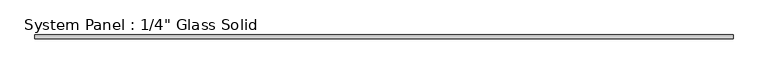
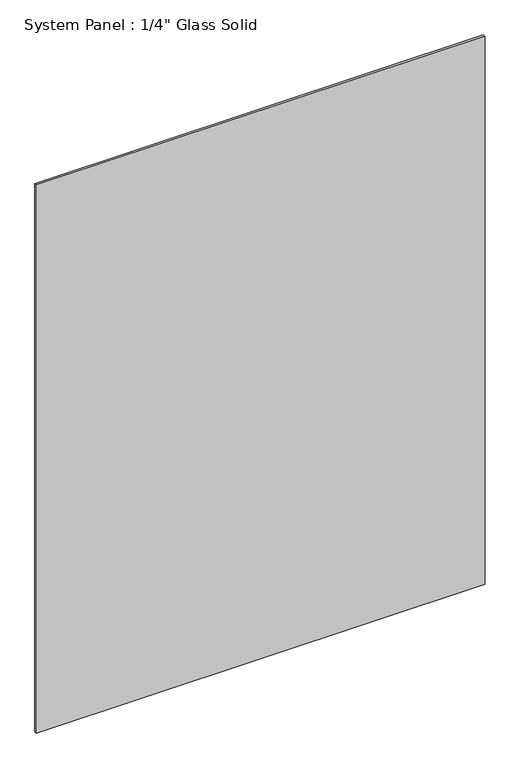
"""IFC4 building model written with IfcOpenShell, lengths in millimetres: plate geometry."""

import ifcopenshell
import ifcopenshell.guid

model = None  # the IFC model being written
_history = None  # IfcOwnerHistory: only IFC2X3 demands one
_inside = {}  # id of a spatial element -> (the spatial element, [elements in it])
_under = {}  # id of a project, library or spatial element -> (it, [spatial elements below it])
_declared = {}  # id of a project -> (the project, [libraries it declares])
_typed = {}  # id of a type object -> (the type object, [elements of that type])
_made_of = {}  # id of a material, layer set ... -> (it, [elements and type objects made of it])


def new_model(schema):
    """Start an empty IFC model of exactly this schema.

    Asked for "IFC4X3", IfcOpenShell would pick the latest addendum, in which some entities
    have other attributes; the version numbers below select the first issue.
    IFC2X3 requires an IfcOwnerHistory on every rooted entity: one is made here for all.
    """
    global model, _history
    if schema == "IFC4X3":
        model = ifcopenshell.file(schema_version=(4, 3, 0, 0))
    else:
        model = ifcopenshell.file(schema=schema)
    _inside.clear()
    _under.clear()
    _declared.clear()
    _typed.clear()
    _made_of.clear()
    _history = None
    if model.schema == "IFC2X3":
        org = make("IfcOrganization", Name="unknown")
        user = make(
            "IfcPersonAndOrganization",
            ThePerson=make("IfcPerson", FamilyName="unknown"),
            TheOrganization=org,
        )
        app = make(
            "IfcApplication",
            ApplicationDeveloper=org,
            Version="unknown",
            ApplicationFullName="unknown",
            ApplicationIdentifier="unknown",
        )
        _history = make(
            "IfcOwnerHistory",
            OwningUser=user,
            OwningApplication=app,
            ChangeAction="ADDED",
            CreationDate=0,
        )
    return model


def make(cls, **values):
    """One entity of the class cls with the attributes given. An attribute that is None is left unset."""
    return model.create_entity(
        cls, **{name: value for name, value in values.items() if value is not None}
    )


def rooted(cls, **values):
    """An entity with a GlobalId (a new one), such as an element, a storey or a relation."""
    return make(cls, GlobalId=ifcopenshell.guid.new(), OwnerHistory=_history, **values)


def si_unit(unit_type, name, prefix=None):
    """IfcSIUnit, for example si_unit("LENGTHUNIT", "METRE", prefix="MILLI")."""
    return make("IfcSIUnit", UnitType=unit_type, Prefix=prefix, Name=name)


def assignment(units):
    """IfcUnitAssignment: the units of a project."""
    return None if units is None else make("IfcUnitAssignment", Units=units)


def point(xyz):
    """IfcCartesianPoint."""
    return None if xyz is None else make("IfcCartesianPoint", Coordinates=xyz)


def direction(xyz):
    """IfcDirection."""
    return None if xyz is None else make("IfcDirection", DirectionRatios=xyz)


def frame(location, z_axis=None, x_axis=None):
    """IfcAxis2Placement3D, a coordinate frame: its origin and axes. An axis left out is left unset."""
    return make(
        "IfcAxis2Placement3D",
        Location=point(location),
        Axis=direction(z_axis),
        RefDirection=direction(x_axis),
    )


def origin():
    """The frame at (0, 0, 0) with its axes left unset."""
    return frame((0.0, 0.0, 0.0))


def origin_with_axes():
    """The frame at (0, 0, 0) with the z axis (0, 0, 1) and the x axis (1, 0, 0) written out."""
    return frame((0.0, 0.0, 0.0), z_axis=(0.0, 0.0, 1.0), x_axis=(1.0, 0.0, 0.0))


def place(relative_to, where):
    """IfcLocalPlacement: puts the frame where relative to a parent placement (None: the world)."""
    return make(
        "IfcLocalPlacement", PlacementRelTo=relative_to, RelativePlacement=where
    )


def context(
    kind, dimensions, precision=None, world=None, true_north=None, identifier=None
):
    """IfcGeometricRepresentationContext, for example the 3D "Model" context."""
    return make(
        "IfcGeometricRepresentationContext",
        ContextIdentifier=identifier,
        ContextType=kind,
        CoordinateSpaceDimension=dimensions,
        Precision=precision,
        WorldCoordinateSystem=world,
        TrueNorth=true_north,
    )


def project(units=None, contexts=None):
    """IfcProject with its units and contexts."""
    return rooted(
        "IfcProject",
        Name="project",
        RepresentationContexts=contexts,
        UnitsInContext=assignment(units),
    )


def spatial(cls, under=None, at=None, **own):
    """A site, building, storey or space (cls), placed at a placement, below another one or the project."""
    s = rooted(cls, ObjectPlacement=at, **own)
    if under is not None:
        _under.setdefault(under.id(), (under, []))[1].append(s)
    return s


def polyline(points):
    """IfcPolyline through the points."""
    return make("IfcPolyline", Points=[point(p) for p in points])


def outline(outer, holes=None, kind="AREA"):
    """IfcArbitraryClosedProfileDef: a profile drawn as a closed curve; with holes, ...WithVoids."""
    if holes is None:
        return make("IfcArbitraryClosedProfileDef", ProfileType=kind, OuterCurve=outer)
    return make(
        "IfcArbitraryProfileDefWithVoids",
        ProfileType=kind,
        OuterCurve=outer,
        InnerCurves=holes,
    )


def extrude(swept, where, along, depth):
    """IfcExtrudedAreaSolid: the profile swept, set in the frame where, extruded along a direction by depth."""
    return make(
        "IfcExtrudedAreaSolid",
        SweptArea=swept,
        Position=where,
        ExtrudedDirection=direction(along),
        Depth=depth,
    )


def shape(context_of_items, identifier, shape_type, items):
    """IfcShapeRepresentation: the items that make up one representation, for example the "Body"."""
    return make(
        "IfcShapeRepresentation",
        ContextOfItems=context_of_items,
        RepresentationIdentifier=identifier,
        RepresentationType=shape_type,
        Items=items,
    )


def source(mapping_origin, context_of_items, identifier, shape_type, items):
    """IfcRepresentationMap: a shape defined once, which mapped items show again and again."""
    return make(
        "IfcRepresentationMap",
        MappingOrigin=mapping_origin,
        MappedRepresentation=shape(context_of_items, identifier, shape_type, items),
    )


def transform(
    local_origin,
    x_axis=None,
    y_axis=None,
    z_axis=None,
    scale=None,
    scale2=None,
    scale3=None,
    uniform=True,
):
    """IfcCartesianTransformationOperator3D, or its non-uniform kind. x_axis, y_axis, z_axis: its Axis1, 2, 3."""
    if uniform:
        return make(
            "IfcCartesianTransformationOperator3D",
            Axis1=direction(x_axis),
            Axis2=direction(y_axis),
            LocalOrigin=point(local_origin),
            Scale=scale,
            Axis3=direction(z_axis),
        )
    return make(
        "IfcCartesianTransformationOperator3DnonUniform",
        Axis1=direction(x_axis),
        Axis2=direction(y_axis),
        LocalOrigin=point(local_origin),
        Scale=scale,
        Axis3=direction(z_axis),
        Scale2=scale2,
        Scale3=scale3,
    )


def mapped(mapping_source, mapping_target):
    """IfcMappedItem: shows the shape of a source again, moved by a transform."""
    return make(
        "IfcMappedItem", MappingSource=mapping_source, MappingTarget=mapping_target
    )


def made_of(thing, what):
    """Note that an element or type object is made of a material, layer set ...; save() writes the relation."""
    if what is not None:
        _made_of.setdefault(what.id(), (what, []))[1].append(thing)
    return thing


def element(
    cls,
    number,
    at=None,
    inside=None,
    cuts=None,
    type_object=None,
    material=None,
    context=None,
    identifier="Body",
    shape_type=None,
    held_by="IfcProductDefinitionShape",
    body=None,
    shapes=None,
    **own,
):
    """One element of the class cls, such as IfcWall. Its Tag is "e" and its number.

    at: its placement. inside: the storey or other place that contains it. cuts: it is an
    opening in that element (IfcRelVoidsElement). A single representation is given by context,
    identifier, shape_type and body (its items); several are given by shapes. held_by: the class
    of the entity that holds the representations. save() writes the other relations.
    """
    e = rooted(cls, Tag="e%d" % number, ObjectPlacement=at, **own)
    if body is not None:
        shapes = [shape(context, identifier, shape_type, body)]
    if shapes is not None:
        e.Representation = make(held_by, Representations=shapes)
    if inside is not None:
        _inside.setdefault(inside.id(), (inside, []))[1].append(e)
    if cuts is not None:
        rooted(
            "IfcRelVoidsElement", RelatingBuildingElement=cuts, RelatedOpeningElement=e
        )
    if type_object is not None:
        _typed.setdefault(type_object.id(), (type_object, []))[1].append(e)
    return made_of(e, material)


def aggregate(whole, parts):
    """IfcRelAggregates: a whole, such as a stair, and the parts it consists of."""
    return rooted("IfcRelAggregates", RelatingObject=whole, RelatedObjects=parts)


def save(model, path):
    """Write the relations noted so far, then the file.

    IfcRelAggregates (storeys below a building ...), IfcRelContainedInSpatialStructure (elements
    in a storey), IfcRelDefinesByType, IfcRelAssociatesMaterial and IfcRelDeclares: one each for
    every whole, place, type object, material and project.
    """
    for whole, parts in _under.values():
        aggregate(whole, parts)
    for where, things in _inside.values():
        rooted(
            "IfcRelContainedInSpatialStructure",
            RelatedElements=things,
            RelatingStructure=where,
        )
    for kind, things in _typed.values():
        rooted("IfcRelDefinesByType", RelatedObjects=things, RelatingType=kind)
    for what, things in _made_of.values():
        rooted("IfcRelAssociatesMaterial", RelatedObjects=things, RelatingMaterial=what)
    for by, libraries in _declared.values():
        rooted("IfcRelDeclares", RelatingContext=by, RelatedDefinitions=libraries)
    model.write(path)


def plate_852d10fe(model_context):
    return source(origin(), model_context, "Body", "SweptSolid", [
        extrude(outline(polyline([(562.5555865, -3.175), (-562.5555865, -3.175), (-562.5555865, 3.175), (562.5555865, 3.175), (562.5555865, -3.175)])), origin_with_axes(), (0.0, 0.0, 1.0), 1452.8817704),
    ])


if __name__ == "__main__":
    model = new_model("IFC4")
    model_context = context("Model", 3, world=origin())
    ifc_project = project(units=[si_unit("LENGTHUNIT", "METRE", prefix="MILLI")], contexts=[model_context])
    site = spatial("IfcSite", under=ifc_project)
    building = spatial("IfcBuilding", under=site)
    placement = place(None, origin())
    plate_shape = plate_852d10fe(model_context)
    element("IfcPlate", 1, ObjectType="System Panel : 1/4\" Glass Solid", at=placement, inside=building, context=model_context, shape_type="MappedRepresentation", body=[
        mapped(plate_shape, transform((0.0, 0.0, 0.0), x_axis=(1.0, 0.0, 0.0), y_axis=(0.0, 1.0, 0.0), z_axis=(0.0, 0.0, 1.0))),
    ])
    save(model, "model.ifc")
